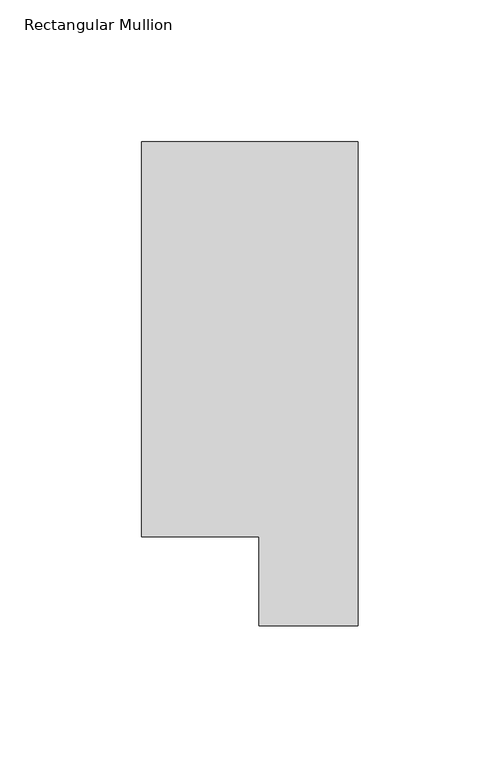
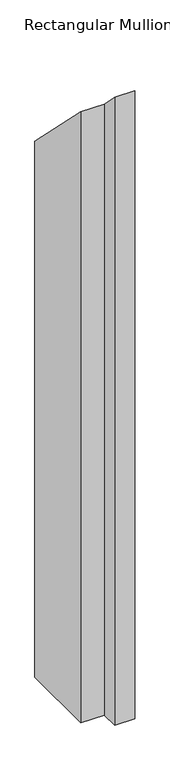
"""IFC4 building model written with IfcOpenShell, lengths in millimetres: member geometry, Rectangular Mullion."""

import ifcopenshell
import ifcopenshell.guid

model = None  # the IFC model being written
_history = None  # IfcOwnerHistory: only IFC2X3 demands one
_inside = {}  # id of a spatial element -> (the spatial element, [elements in it])
_under = {}  # id of a project, library or spatial element -> (it, [spatial elements below it])
_declared = {}  # id of a project -> (the project, [libraries it declares])
_typed = {}  # id of a type object -> (the type object, [elements of that type])
_made_of = {}  # id of a material, layer set ... -> (it, [elements and type objects made of it])


def new_model(schema):
    """Start an empty IFC model of exactly this schema.

    Asked for "IFC4X3", IfcOpenShell would pick the latest addendum, in which some entities
    have other attributes; the version numbers below select the first issue.
    IFC2X3 requires an IfcOwnerHistory on every rooted entity: one is made here for all.
    """
    global model, _history
    if schema == "IFC4X3":
        model = ifcopenshell.file(schema_version=(4, 3, 0, 0))
    else:
        model = ifcopenshell.file(schema=schema)
    _inside.clear()
    _under.clear()
    _declared.clear()
    _typed.clear()
    _made_of.clear()
    _history = None
    if model.schema == "IFC2X3":
        org = make("IfcOrganization", Name="unknown")
        user = make(
            "IfcPersonAndOrganization",
            ThePerson=make("IfcPerson", FamilyName="unknown"),
            TheOrganization=org,
        )
        app = make(
            "IfcApplication",
            ApplicationDeveloper=org,
            Version="unknown",
            ApplicationFullName="unknown",
            ApplicationIdentifier="unknown",
        )
        _history = make(
            "IfcOwnerHistory",
            OwningUser=user,
            OwningApplication=app,
            ChangeAction="ADDED",
            CreationDate=0,
        )
    return model


def make(cls, **values):
    """One entity of the class cls with the attributes given. An attribute that is None is left unset."""
    return model.create_entity(
        cls, **{name: value for name, value in values.items() if value is not None}
    )


def rooted(cls, **values):
    """An entity with a GlobalId (a new one), such as an element, a storey or a relation."""
    return make(cls, GlobalId=ifcopenshell.guid.new(), OwnerHistory=_history, **values)


def si_unit(unit_type, name, prefix=None):
    """IfcSIUnit, for example si_unit("LENGTHUNIT", "METRE", prefix="MILLI")."""
    return make("IfcSIUnit", UnitType=unit_type, Prefix=prefix, Name=name)


def assignment(units):
    """IfcUnitAssignment: the units of a project."""
    return None if units is None else make("IfcUnitAssignment", Units=units)


def point(xyz):
    """IfcCartesianPoint."""
    return None if xyz is None else make("IfcCartesianPoint", Coordinates=xyz)


def direction(xyz):
    """IfcDirection."""
    return None if xyz is None else make("IfcDirection", DirectionRatios=xyz)


def frame(location, z_axis=None, x_axis=None):
    """IfcAxis2Placement3D, a coordinate frame: its origin and axes. An axis left out is left unset."""
    return make(
        "IfcAxis2Placement3D",
        Location=point(location),
        Axis=direction(z_axis),
        RefDirection=direction(x_axis),
    )


def origin():
    """The frame at (0, 0, 0) with its axes left unset."""
    return frame((0.0, 0.0, 0.0))


def place(relative_to, where):
    """IfcLocalPlacement: puts the frame where relative to a parent placement (None: the world)."""
    return make(
        "IfcLocalPlacement", PlacementRelTo=relative_to, RelativePlacement=where
    )


def context(
    kind, dimensions, precision=None, world=None, true_north=None, identifier=None
):
    """IfcGeometricRepresentationContext, for example the 3D "Model" context."""
    return make(
        "IfcGeometricRepresentationContext",
        ContextIdentifier=identifier,
        ContextType=kind,
        CoordinateSpaceDimension=dimensions,
        Precision=precision,
        WorldCoordinateSystem=world,
        TrueNorth=true_north,
    )


def project(units=None, contexts=None):
    """IfcProject with its units and contexts."""
    return rooted(
        "IfcProject",
        Name="project",
        RepresentationContexts=contexts,
        UnitsInContext=assignment(units),
    )


def spatial(cls, under=None, at=None, **own):
    """A site, building, storey or space (cls), placed at a placement, below another one or the project."""
    s = rooted(cls, ObjectPlacement=at, **own)
    if under is not None:
        _under.setdefault(under.id(), (under, []))[1].append(s)
    return s


def faces_of(points, faces, orient=None, outer=None):
    """IfcFace entities. A face is a list of loops; a loop is a list of indices into points, from 0.

    orient and outer hold one flag for each loop. By default every Orientation is true, the
    first loop of a face is its IfcFaceOuterBound and the others are IfcFaceBound.
    """
    made = []
    for i, loops in enumerate(faces):
        bounds = []
        for j, loop in enumerate(loops):
            is_outer = j == 0 if outer is None else outer[i][j]
            bounds.append(
                make(
                    "IfcFaceOuterBound" if is_outer else "IfcFaceBound",
                    Bound=make("IfcPolyLoop", Polygon=[points[k] for k in loop]),
                    Orientation=True if orient is None else orient[i][j],
                )
            )
        made.append(make("IfcFace", Bounds=bounds))
    return made


def faceted_brep(points, faces, orient=None, outer=None, voids=None):
    """IfcFacetedBrep: a solid bounded by flat faces; with voids (closed shells), ...WithVoids."""
    shared = [point(p) for p in points]
    hull = make("IfcClosedShell", CfsFaces=faces_of(shared, faces, orient, outer))
    if voids is None:
        return make("IfcFacetedBrep", Outer=hull)
    return make(
        "IfcFacetedBrepWithVoids",
        Outer=hull,
        Voids=[
            make(cls, CfsFaces=faces_of(shared, fs, o, b)) for cls, fs, o, b in voids
        ],
    )


def shape(context_of_items, identifier, shape_type, items):
    """IfcShapeRepresentation: the items that make up one representation, for example the "Body"."""
    return make(
        "IfcShapeRepresentation",
        ContextOfItems=context_of_items,
        RepresentationIdentifier=identifier,
        RepresentationType=shape_type,
        Items=items,
    )


def source(mapping_origin, context_of_items, identifier, shape_type, items):
    """IfcRepresentationMap: a shape defined once, which mapped items show again and again."""
    return make(
        "IfcRepresentationMap",
        MappingOrigin=mapping_origin,
        MappedRepresentation=shape(context_of_items, identifier, shape_type, items),
    )


def transform(
    local_origin,
    x_axis=None,
    y_axis=None,
    z_axis=None,
    scale=None,
    scale2=None,
    scale3=None,
    uniform=True,
):
    """IfcCartesianTransformationOperator3D, or its non-uniform kind. x_axis, y_axis, z_axis: its Axis1, 2, 3."""
    if uniform:
        return make(
            "IfcCartesianTransformationOperator3D",
            Axis1=direction(x_axis),
            Axis2=direction(y_axis),
            LocalOrigin=point(local_origin),
            Scale=scale,
            Axis3=direction(z_axis),
        )
    return make(
        "IfcCartesianTransformationOperator3DnonUniform",
        Axis1=direction(x_axis),
        Axis2=direction(y_axis),
        LocalOrigin=point(local_origin),
        Scale=scale,
        Axis3=direction(z_axis),
        Scale2=scale2,
        Scale3=scale3,
    )


def mapped(mapping_source, mapping_target):
    """IfcMappedItem: shows the shape of a source again, moved by a transform."""
    return make(
        "IfcMappedItem", MappingSource=mapping_source, MappingTarget=mapping_target
    )


def made_of(thing, what):
    """Note that an element or type object is made of a material, layer set ...; save() writes the relation."""
    if what is not None:
        _made_of.setdefault(what.id(), (what, []))[1].append(thing)
    return thing


def element(
    cls,
    number,
    at=None,
    inside=None,
    cuts=None,
    type_object=None,
    material=None,
    context=None,
    identifier="Body",
    shape_type=None,
    held_by="IfcProductDefinitionShape",
    body=None,
    shapes=None,
    **own,
):
    """One element of the class cls, such as IfcWall. Its Tag is "e" and its number.

    at: its placement. inside: the storey or other place that contains it. cuts: it is an
    opening in that element (IfcRelVoidsElement). A single representation is given by context,
    identifier, shape_type and body (its items); several are given by shapes. held_by: the class
    of the entity that holds the representations. save() writes the other relations.
    """
    e = rooted(cls, Tag="e%d" % number, ObjectPlacement=at, **own)
    if body is not None:
        shapes = [shape(context, identifier, shape_type, body)]
    if shapes is not None:
        e.Representation = make(held_by, Representations=shapes)
    if inside is not None:
        _inside.setdefault(inside.id(), (inside, []))[1].append(e)
    if cuts is not None:
        rooted(
            "IfcRelVoidsElement", RelatingBuildingElement=cuts, RelatedOpeningElement=e
        )
    if type_object is not None:
        _typed.setdefault(type_object.id(), (type_object, []))[1].append(e)
    return made_of(e, material)


def aggregate(whole, parts):
    """IfcRelAggregates: a whole, such as a stair, and the parts it consists of."""
    return rooted("IfcRelAggregates", RelatingObject=whole, RelatedObjects=parts)


def save(model, path):
    """Write the relations noted so far, then the file.

    IfcRelAggregates (storeys below a building ...), IfcRelContainedInSpatialStructure (elements
    in a storey), IfcRelDefinesByType, IfcRelAssociatesMaterial and IfcRelDeclares: one each for
    every whole, place, type object, material and project.
    """
    for whole, parts in _under.values():
        aggregate(whole, parts)
    for where, things in _inside.values():
        rooted(
            "IfcRelContainedInSpatialStructure",
            RelatedElements=things,
            RelatingStructure=where,
        )
    for kind, things in _typed.values():
        rooted("IfcRelDefinesByType", RelatedObjects=things, RelatingType=kind)
    for what, things in _made_of.values():
        rooted("IfcRelAssociatesMaterial", RelatedObjects=things, RelatingMaterial=what)
    for by, libraries in _declared.values():
        rooted("IfcRelDeclares", RelatingContext=by, RelatedDefinitions=libraries)
    model.write(path)


def rectangular_mullion_643cf2c6(model_context):
    return source(origin(), model_context, "Body", "Brep", [
        faceted_brep([(-76.2, 190.0007313, -1181.4309706), (0.0, 190.0007313, -1181.4309706), (0.0, 19.5667313, -1181.4309706), (-34.9123, 19.5667313, -1181.4309706), (-34.9123, 50.820278, -1181.4309706), (-76.2, 50.820278, -1181.4309706), (-76.2, 50.820278, -50.820278), (-76.2, 190.0007313, -190.0007313), (-34.9123, 50.820278, -50.820278), (-34.9123, 19.5667313, -19.5667313), (0.0, 19.5667313, -19.5667313), (0.0, 190.0007313, -190.0007313)], [[[0, 1, 2, 3, 4, 5]], [[6, 7, 0, 5]], [[8, 6, 5, 4]], [[9, 8, 4, 3]], [[10, 9, 3, 2]], [[11, 10, 2, 1]], [[7, 11, 1, 0]], [[7, 6, 8, 9, 10, 11]]]),
    ])


if __name__ == "__main__":
    model = new_model("IFC4")
    model_context = context("Model", 3, world=origin())
    ifc_project = project(units=[si_unit("LENGTHUNIT", "METRE", prefix="MILLI")], contexts=[model_context])
    site = spatial("IfcSite", under=ifc_project)
    building = spatial("IfcBuilding", under=site)
    placement = place(None, origin())
    rectangular_mullion_shape = rectangular_mullion_643cf2c6(model_context)
    element("IfcMember", 1, ObjectType="Rectangular Mullion", at=placement, inside=building, context=model_context, shape_type="MappedRepresentation", body=[
        mapped(rectangular_mullion_shape, transform((0.0, 0.0, 0.0), x_axis=(1.0, 0.0, 0.0), y_axis=(0.0, 1.0, 0.0), z_axis=(0.0, 0.0, 1.0))),
    ])
    save(model, "model.ifc")
